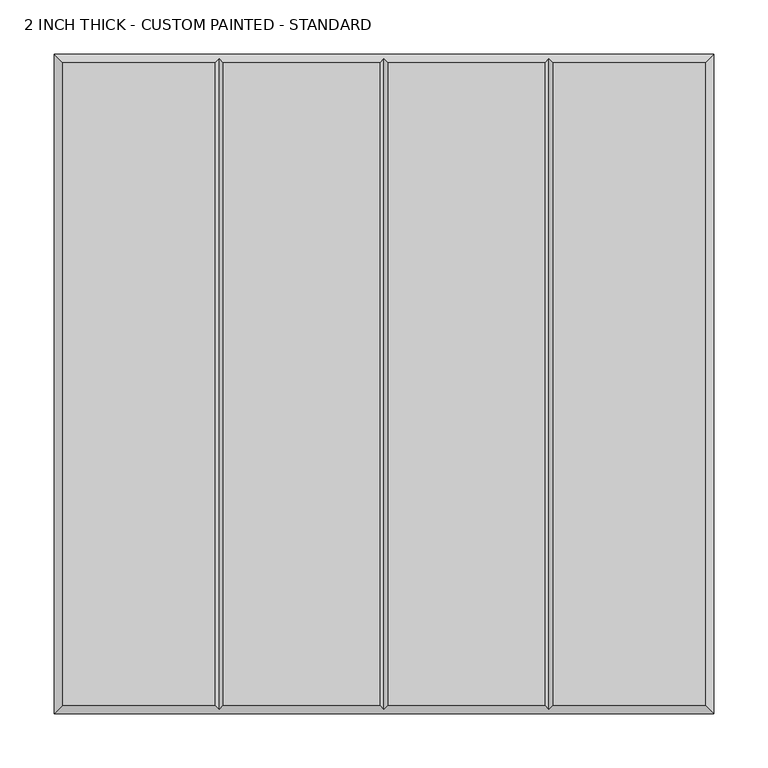
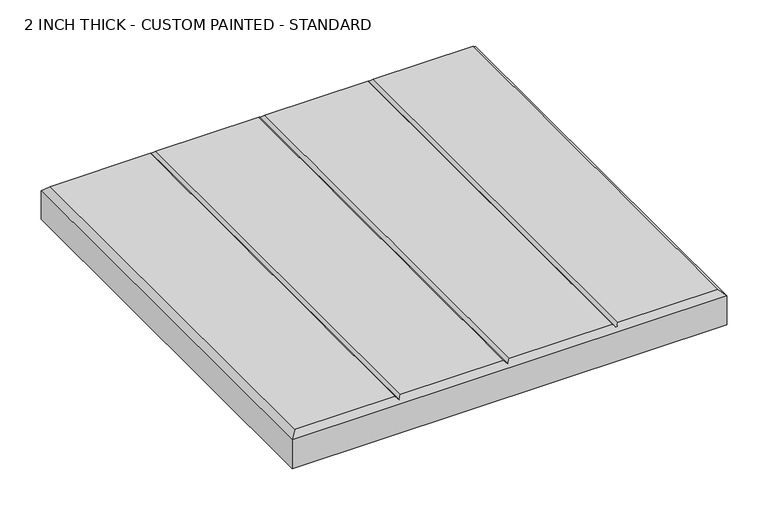
"""IFC4 building model written with IfcOpenShell, lengths in millimetres: proxy geometry, 2 INCH THICK - CUSTOM PAINTED - STANDARD."""

from ifc_helpers import new_model, si_unit, origin, place, context, project, spatial, faceted_brep, source, transform, mapped, element, save


def proxy_2_inch_thick_custom_painted_standard_4fe97c89(model_context):
    return source(origin(), model_context, "Body", "Brep", [
        faceted_brep([(-296.799, 296.799, 50.8), (-296.799, -296.799, 50.8), (-156.4009826, -296.799, 50.8), (-156.4009826, 296.799, 50.8), (296.799, -296.799, 50.8), (296.799, 296.799, 50.8), (156.4010334, 296.799, 50.8), (156.4010334, -296.799, 50.8), (-148.3999826, 296.799, 50.8), (-148.3999826, -296.799, 50.8), (-4.0004746, -296.799, 50.8), (-4.0004746, 296.799, 50.8), (4.0005254, 296.799, 50.8), (4.0005254, -296.799, 50.8), (148.4000334, -296.799, 50.8), (148.4000334, 296.799, 50.8), (-304.8, 304.8, 0.0), (304.8, 304.8, 0.0), (304.8, -304.8, 0.0), (-304.8, -304.8, 0.0), (-304.8, -304.8, 42.799), (-304.8, 304.8, 42.799), (304.8, -304.8, 42.799), (304.8, 304.8, 42.799), (-152.4004826, 300.7995, 46.7995), (2.54e-05, 300.7995, 46.7995), (152.4005334, 300.7995, 46.7995), (152.4005334, -300.7995, 46.7995), (2.54e-05, -300.7995, 46.7995), (-152.4004826, -300.7995, 46.7995)], [[[0, 1, 2, 3]], [[4, 5, 6, 7]], [[8, 9, 10, 11]], [[12, 13, 14, 15]], [[16, 17, 18, 19]], [[16, 19, 20, 21]], [[19, 18, 22, 20]], [[18, 17, 23, 22]], [[17, 16, 21, 23]], [[21, 0, 3, 24, 8, 11, 25, 12, 15, 26, 6, 5, 23]], [[0, 21, 20, 1]], [[1, 20, 22, 4, 7, 27, 14, 13, 28, 10, 9, 29, 2]], [[23, 5, 4, 22]], [[24, 29, 9, 8]], [[29, 24, 3, 2]], [[25, 28, 13, 12]], [[28, 25, 11, 10]], [[26, 27, 7, 6]], [[27, 26, 15, 14]]]),
    ])


if __name__ == "__main__":
    model = new_model("IFC4")
    model_context = context("Model", 3, world=origin())
    ifc_project = project(units=[si_unit("LENGTHUNIT", "METRE", prefix="MILLI")], contexts=[model_context])
    site = spatial("IfcSite", under=ifc_project)
    building = spatial("IfcBuilding", under=site)
    placement = place(None, origin())
    proxy_2_inch_thick_custom_painted_standard_shape = proxy_2_inch_thick_custom_painted_standard_4fe97c89(model_context)
    element("IfcBuildingElementProxy", 1, Name="2 INCH THICK - CUSTOM PAINTED - STANDARD", ObjectType="2 INCH THICK - CUSTOM PAINTED - STANDARD", at=placement, inside=building, context=model_context, shape_type="MappedRepresentation", body=[
        mapped(proxy_2_inch_thick_custom_painted_standard_shape, transform((0.0, 0.0, 0.0), x_axis=(1.0, 0.0, 0.0), y_axis=(0.0, 1.0, 0.0), z_axis=(0.0, 0.0, 1.0))),
    ])
    save(model, "model.ifc")
